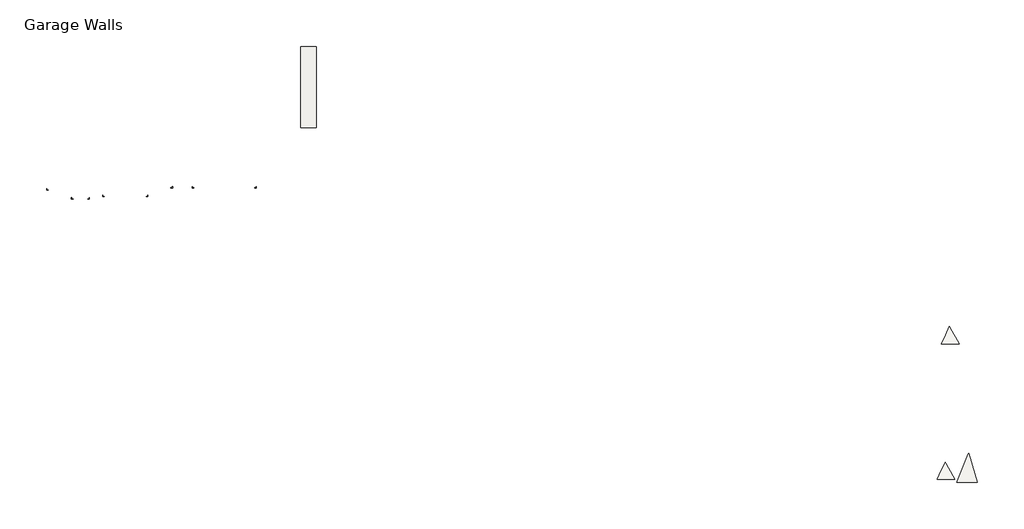
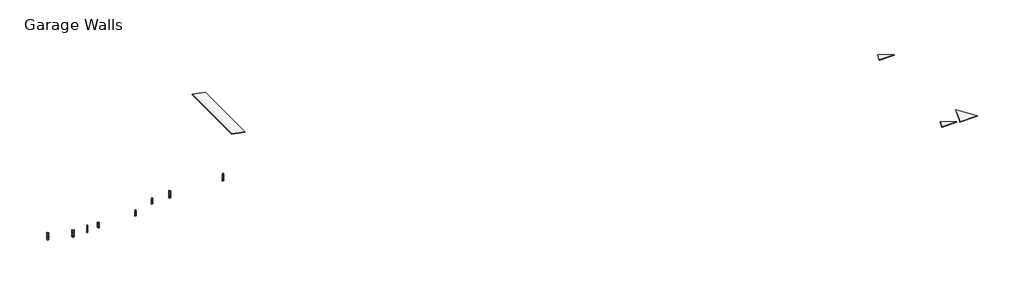
# One storey: 8 proxies, 4 roofs.
"""IFC4 building model written with IfcOpenShell, lengths in millimetres."""

import ifcopenshell
import ifcopenshell.guid

model = None  # the IFC model being written
_history = None  # IfcOwnerHistory: only IFC2X3 demands one
_inside = {}  # id of a spatial element -> (the spatial element, [elements in it])
_under = {}  # id of a project, library or spatial element -> (it, [spatial elements below it])
_declared = {}  # id of a project -> (the project, [libraries it declares])
_typed = {}  # id of a type object -> (the type object, [elements of that type])
_made_of = {}  # id of a material, layer set ... -> (it, [elements and type objects made of it])


def new_model(schema):
    """Start an empty IFC model of exactly this schema.

    Asked for "IFC4X3", IfcOpenShell would pick the latest addendum, in which some entities
    have other attributes; the version numbers below select the first issue.
    IFC2X3 requires an IfcOwnerHistory on every rooted entity: one is made here for all.
    """
    global model, _history
    if schema == "IFC4X3":
        model = ifcopenshell.file(schema_version=(4, 3, 0, 0))
    else:
        model = ifcopenshell.file(schema=schema)
    _inside.clear()
    _under.clear()
    _declared.clear()
    _typed.clear()
    _made_of.clear()
    _history = None
    if model.schema == "IFC2X3":
        org = make("IfcOrganization", Name="unknown")
        user = make(
            "IfcPersonAndOrganization",
            ThePerson=make("IfcPerson", FamilyName="unknown"),
            TheOrganization=org,
        )
        app = make(
            "IfcApplication",
            ApplicationDeveloper=org,
            Version="unknown",
            ApplicationFullName="unknown",
            ApplicationIdentifier="unknown",
        )
        _history = make(
            "IfcOwnerHistory",
            OwningUser=user,
            OwningApplication=app,
            ChangeAction="ADDED",
            CreationDate=0,
        )
    return model


def make(cls, **values):
    """One entity of the class cls with the attributes given. An attribute that is None is left unset."""
    return model.create_entity(
        cls, **{name: value for name, value in values.items() if value is not None}
    )


def rooted(cls, **values):
    """An entity with a GlobalId (a new one), such as an element, a storey or a relation."""
    return make(cls, GlobalId=ifcopenshell.guid.new(), OwnerHistory=_history, **values)


def si_unit(unit_type, name, prefix=None):
    """IfcSIUnit, for example si_unit("LENGTHUNIT", "METRE", prefix="MILLI")."""
    return make("IfcSIUnit", UnitType=unit_type, Prefix=prefix, Name=name)


def assignment(units):
    """IfcUnitAssignment: the units of a project."""
    return None if units is None else make("IfcUnitAssignment", Units=units)


def point(xyz):
    """IfcCartesianPoint."""
    return None if xyz is None else make("IfcCartesianPoint", Coordinates=xyz)


def direction(xyz):
    """IfcDirection."""
    return None if xyz is None else make("IfcDirection", DirectionRatios=xyz)


def frame(location, z_axis=None, x_axis=None):
    """IfcAxis2Placement3D, a coordinate frame: its origin and axes. An axis left out is left unset."""
    return make(
        "IfcAxis2Placement3D",
        Location=point(location),
        Axis=direction(z_axis),
        RefDirection=direction(x_axis),
    )


def origin():
    """The frame at (0, 0, 0) with its axes left unset."""
    return frame((0.0, 0.0, 0.0))


def place(relative_to, where):
    """IfcLocalPlacement: puts the frame where relative to a parent placement (None: the world)."""
    return make(
        "IfcLocalPlacement", PlacementRelTo=relative_to, RelativePlacement=where
    )


def context(
    kind, dimensions, precision=None, world=None, true_north=None, identifier=None
):
    """IfcGeometricRepresentationContext, for example the 3D "Model" context."""
    return make(
        "IfcGeometricRepresentationContext",
        ContextIdentifier=identifier,
        ContextType=kind,
        CoordinateSpaceDimension=dimensions,
        Precision=precision,
        WorldCoordinateSystem=world,
        TrueNorth=true_north,
    )


def project(units=None, contexts=None):
    """IfcProject with its units and contexts."""
    return rooted(
        "IfcProject",
        Name="project",
        RepresentationContexts=contexts,
        UnitsInContext=assignment(units),
    )


def spatial(cls, under=None, at=None, **own):
    """A site, building, storey or space (cls), placed at a placement, below another one or the project."""
    s = rooted(cls, ObjectPlacement=at, **own)
    if under is not None:
        _under.setdefault(under.id(), (under, []))[1].append(s)
    return s


def polyline(points):
    """IfcPolyline through the points."""
    return make("IfcPolyline", Points=[point(p) for p in points])


def outline(outer, holes=None, kind="AREA"):
    """IfcArbitraryClosedProfileDef: a profile drawn as a closed curve; with holes, ...WithVoids."""
    if holes is None:
        return make("IfcArbitraryClosedProfileDef", ProfileType=kind, OuterCurve=outer)
    return make(
        "IfcArbitraryProfileDefWithVoids",
        ProfileType=kind,
        OuterCurve=outer,
        InnerCurves=holes,
    )


def extrude(swept, where, along, depth):
    """IfcExtrudedAreaSolid: the profile swept, set in the frame where, extruded along a direction by depth."""
    return make(
        "IfcExtrudedAreaSolid",
        SweptArea=swept,
        Position=where,
        ExtrudedDirection=direction(along),
        Depth=depth,
    )


def faces_of(points, faces, orient=None, outer=None):
    """IfcFace entities. A face is a list of loops; a loop is a list of indices into points, from 0.

    orient and outer hold one flag for each loop. By default every Orientation is true, the
    first loop of a face is its IfcFaceOuterBound and the others are IfcFaceBound.
    """
    made = []
    for i, loops in enumerate(faces):
        bounds = []
        for j, loop in enumerate(loops):
            is_outer = j == 0 if outer is None else outer[i][j]
            bounds.append(
                make(
                    "IfcFaceOuterBound" if is_outer else "IfcFaceBound",
                    Bound=make("IfcPolyLoop", Polygon=[points[k] for k in loop]),
                    Orientation=True if orient is None else orient[i][j],
                )
            )
        made.append(make("IfcFace", Bounds=bounds))
    return made


def faceted_brep(points, faces, orient=None, outer=None, voids=None):
    """IfcFacetedBrep: a solid bounded by flat faces; with voids (closed shells), ...WithVoids."""
    shared = [point(p) for p in points]
    hull = make("IfcClosedShell", CfsFaces=faces_of(shared, faces, orient, outer))
    if voids is None:
        return make("IfcFacetedBrep", Outer=hull)
    return make(
        "IfcFacetedBrepWithVoids",
        Outer=hull,
        Voids=[
            make(cls, CfsFaces=faces_of(shared, fs, o, b)) for cls, fs, o, b in voids
        ],
    )


def shape(context_of_items, identifier, shape_type, items):
    """IfcShapeRepresentation: the items that make up one representation, for example the "Body"."""
    return make(
        "IfcShapeRepresentation",
        ContextOfItems=context_of_items,
        RepresentationIdentifier=identifier,
        RepresentationType=shape_type,
        Items=items,
    )


def source(mapping_origin, context_of_items, identifier, shape_type, items):
    """IfcRepresentationMap: a shape defined once, which mapped items show again and again."""
    return make(
        "IfcRepresentationMap",
        MappingOrigin=mapping_origin,
        MappedRepresentation=shape(context_of_items, identifier, shape_type, items),
    )


def transform(
    local_origin,
    x_axis=None,
    y_axis=None,
    z_axis=None,
    scale=None,
    scale2=None,
    scale3=None,
    uniform=True,
):
    """IfcCartesianTransformationOperator3D, or its non-uniform kind. x_axis, y_axis, z_axis: its Axis1, 2, 3."""
    if uniform:
        return make(
            "IfcCartesianTransformationOperator3D",
            Axis1=direction(x_axis),
            Axis2=direction(y_axis),
            LocalOrigin=point(local_origin),
            Scale=scale,
            Axis3=direction(z_axis),
        )
    return make(
        "IfcCartesianTransformationOperator3DnonUniform",
        Axis1=direction(x_axis),
        Axis2=direction(y_axis),
        LocalOrigin=point(local_origin),
        Scale=scale,
        Axis3=direction(z_axis),
        Scale2=scale2,
        Scale3=scale3,
    )


def mapped(mapping_source, mapping_target):
    """IfcMappedItem: shows the shape of a source again, moved by a transform."""
    return make(
        "IfcMappedItem", MappingSource=mapping_source, MappingTarget=mapping_target
    )


def made_of(thing, what):
    """Note that an element or type object is made of a material, layer set ...; save() writes the relation."""
    if what is not None:
        _made_of.setdefault(what.id(), (what, []))[1].append(thing)
    return thing


def element(
    cls,
    number,
    at=None,
    inside=None,
    cuts=None,
    type_object=None,
    material=None,
    context=None,
    identifier="Body",
    shape_type=None,
    held_by="IfcProductDefinitionShape",
    body=None,
    shapes=None,
    **own,
):
    """One element of the class cls, such as IfcWall. Its Tag is "e" and its number.

    at: its placement. inside: the storey or other place that contains it. cuts: it is an
    opening in that element (IfcRelVoidsElement). A single representation is given by context,
    identifier, shape_type and body (its items); several are given by shapes. held_by: the class
    of the entity that holds the representations. save() writes the other relations.
    """
    e = rooted(cls, Tag="e%d" % number, ObjectPlacement=at, **own)
    if body is not None:
        shapes = [shape(context, identifier, shape_type, body)]
    if shapes is not None:
        e.Representation = make(held_by, Representations=shapes)
    if inside is not None:
        _inside.setdefault(inside.id(), (inside, []))[1].append(e)
    if cuts is not None:
        rooted(
            "IfcRelVoidsElement", RelatingBuildingElement=cuts, RelatedOpeningElement=e
        )
    if type_object is not None:
        _typed.setdefault(type_object.id(), (type_object, []))[1].append(e)
    return made_of(e, material)


def aggregate(whole, parts):
    """IfcRelAggregates: a whole, such as a stair, and the parts it consists of."""
    return rooted("IfcRelAggregates", RelatingObject=whole, RelatedObjects=parts)


def save(model, path):
    """Write the relations noted so far, then the file.

    IfcRelAggregates (storeys below a building ...), IfcRelContainedInSpatialStructure (elements
    in a storey), IfcRelDefinesByType, IfcRelAssociatesMaterial and IfcRelDeclares: one each for
    every whole, place, type object, material and project.
    """
    for whole, parts in _under.values():
        aggregate(whole, parts)
    for where, things in _inside.values():
        rooted(
            "IfcRelContainedInSpatialStructure",
            RelatedElements=things,
            RelatingStructure=where,
        )
    for kind, things in _typed.values():
        rooted("IfcRelDefinesByType", RelatedObjects=things, RelatingType=kind)
    for what, things in _made_of.values():
        rooted("IfcRelAssociatesMaterial", RelatedObjects=things, RelatingMaterial=what)
    for by, libraries in _declared.values():
        rooted("IfcRelDeclares", RelatingContext=by, RelatedDefinitions=libraries)
    model.write(path)


def generic_models_86c4ab9a(model_context):
    return source(origin(), model_context, "Body", "Brep", [
        faceted_brep([(-1835.15, 317.5, 2032.0), (-1847.85, 317.5, 2032.0), (-1847.85, 317.5, 2438.4), (-1828.8, 317.5, 2438.4), (-1828.8, 317.5, 1828.8), (-1835.15, 317.5, 1828.8), (-1835.15, -95.25, 1828.8), (-1835.15, -95.25, 2032.0), (-1828.8, -88.9, 1828.8), (-1422.4, -88.9, 1828.8), (-1422.4, -95.25, 1828.8), (-1828.8, -88.9, 2438.4), (-1847.85, -107.95, 2438.4), (-1422.4, -107.95, 2438.4), (-1422.4, -88.9, 2438.4), (-1847.85, -107.95, 2032.0), (-1422.4, -95.25, 2032.0), (-1422.4, -107.95, 2032.0)], [[[0, 1, 2, 3, 4, 5]], [[5, 6, 7, 0]], [[4, 8, 9, 10, 6, 5]], [[3, 11, 8, 4]], [[2, 12, 13, 14, 11, 3]], [[1, 15, 12, 2]], [[0, 7, 16, 17, 15, 1]], [[16, 10, 9, 14, 13, 17]], [[6, 10, 16, 7]], [[11, 14, 9, 8]], [[15, 17, 13, 12]]]),
        faceted_brep([(-1835.15, 317.5, 1422.4), (-1847.85, 317.5, 1422.4), (-1847.85, 317.5, 1828.8), (-1828.8, 317.5, 1828.8), (-1828.8, 317.5, 1219.2), (-1835.15, 317.5, 1219.2), (-1835.15, -95.25, 1219.2), (-1835.15, -95.25, 1422.4), (-1828.8, -88.9, 1219.2), (-1422.4, -88.9, 1219.2), (-1422.4, -95.25, 1219.2), (-1828.8, -88.9, 1828.8), (-1847.85, -107.95, 1828.8), (-1422.4, -107.95, 1828.8), (-1422.4, -88.9, 1828.8), (-1847.85, -107.95, 1422.4), (-1422.4, -95.25, 1422.4), (-1422.4, -107.95, 1422.4)], [[[0, 1, 2, 3, 4, 5]], [[5, 6, 7, 0]], [[4, 8, 9, 10, 6, 5]], [[3, 11, 8, 4]], [[2, 12, 13, 14, 11, 3]], [[1, 15, 12, 2]], [[0, 7, 16, 17, 15, 1]], [[16, 10, 9, 14, 13, 17]], [[6, 10, 16, 7]], [[11, 14, 9, 8]], [[15, 17, 13, 12]]]),
        faceted_brep([(-1835.15, 317.5, 812.8), (-1847.85, 317.5, 812.8), (-1847.85, 317.5, 1219.2), (-1828.8, 317.5, 1219.2), (-1828.8, 317.5, 609.6), (-1835.15, 317.5, 609.6), (-1835.15, -95.25, 609.6), (-1835.15, -95.25, 812.8), (-1828.8, -88.9, 609.6), (-1422.4, -88.9, 609.6), (-1422.4, -95.25, 609.6), (-1828.8, -88.9, 1219.2), (-1847.85, -107.95, 1219.2), (-1422.4, -107.95, 1219.2), (-1422.4, -88.9, 1219.2), (-1847.85, -107.95, 812.8), (-1422.4, -95.25, 812.8), (-1422.4, -107.95, 812.8)], [[[0, 1, 2, 3, 4, 5]], [[5, 6, 7, 0]], [[4, 8, 9, 10, 6, 5]], [[3, 11, 8, 4]], [[2, 12, 13, 14, 11, 3]], [[1, 15, 12, 2]], [[0, 7, 16, 17, 15, 1]], [[16, 10, 9, 14, 13, 17]], [[6, 10, 16, 7]], [[11, 14, 9, 8]], [[15, 17, 13, 12]]]),
        faceted_brep([(-1835.15, 317.5, 203.2), (-1847.85, 317.5, 203.2), (-1847.85, 317.5, 609.6), (-1828.8, 317.5, 609.6), (-1828.8, 317.5, 0.0), (-1835.15, 317.5, 0.0), (-1835.15, -95.25, 0.0), (-1835.15, -95.25, 203.2), (-1828.8, -88.9, 0.0), (-1422.4, -88.9, 0.0), (-1422.4, -95.25, 0.0), (-1828.8, -88.9, 609.6), (-1847.85, -107.95, 609.6), (-1422.4, -107.95, 609.6), (-1422.4, -88.9, 609.6), (-1847.85, -107.95, 203.2), (-1422.4, -95.25, 203.2), (-1422.4, -107.95, 203.2)], [[[0, 1, 2, 3, 4, 5]], [[5, 6, 7, 0]], [[4, 8, 9, 10, 6, 5]], [[3, 11, 8, 4]], [[2, 12, 13, 14, 11, 3]], [[1, 15, 12, 2]], [[0, 7, 16, 17, 15, 1]], [[16, 10, 9, 14, 13, 17]], [[6, 10, 16, 7]], [[11, 14, 9, 8]], [[15, 17, 13, 12]]]),
    ])


def generic_models_9b5f698f(model_context):
    return source(origin(), model_context, "Body", "Brep", [
        faceted_brep([(-1835.15, -317.5, 2032.0), (-1835.15, -317.5, 1828.8), (-1828.8, -317.5, 1828.8), (-1828.8, -317.5, 2438.4), (-1847.85, -317.5, 2438.4), (-1847.85, -317.5, 2032.0), (-1835.15, 95.25, 2032.0), (-1835.15, 95.25, 1828.8), (-1422.4, 95.25, 1828.8), (-1422.4, 88.9, 1828.8), (-1828.8, 88.9, 1828.8), (-1828.8, 88.9, 2438.4), (-1422.4, 88.9, 2438.4), (-1422.4, 107.95, 2438.4), (-1847.85, 107.95, 2438.4), (-1847.85, 107.95, 2032.0), (-1422.4, 107.95, 2032.0), (-1422.4, 95.25, 2032.0)], [[[0, 1, 2, 3, 4, 5]], [[1, 0, 6, 7]], [[2, 1, 7, 8, 9, 10]], [[3, 2, 10, 11]], [[4, 3, 11, 12, 13, 14]], [[5, 4, 14, 15]], [[0, 5, 15, 16, 17, 6]], [[17, 16, 13, 12, 9, 8]], [[7, 6, 17, 8]], [[11, 10, 9, 12]], [[15, 14, 13, 16]]]),
        faceted_brep([(-1835.15, -317.5, 1422.4), (-1835.15, -317.5, 1219.2), (-1828.8, -317.5, 1219.2), (-1828.8, -317.5, 1828.8), (-1847.85, -317.5, 1828.8), (-1847.85, -317.5, 1422.4), (-1835.15, 95.25, 1422.4), (-1835.15, 95.25, 1219.2), (-1422.4, 95.25, 1219.2), (-1422.4, 88.9, 1219.2), (-1828.8, 88.9, 1219.2), (-1828.8, 88.9, 1828.8), (-1422.4, 88.9, 1828.8), (-1422.4, 107.95, 1828.8), (-1847.85, 107.95, 1828.8), (-1847.85, 107.95, 1422.4), (-1422.4, 107.95, 1422.4), (-1422.4, 95.25, 1422.4)], [[[0, 1, 2, 3, 4, 5]], [[1, 0, 6, 7]], [[2, 1, 7, 8, 9, 10]], [[3, 2, 10, 11]], [[4, 3, 11, 12, 13, 14]], [[5, 4, 14, 15]], [[0, 5, 15, 16, 17, 6]], [[17, 16, 13, 12, 9, 8]], [[7, 6, 17, 8]], [[11, 10, 9, 12]], [[15, 14, 13, 16]]]),
        faceted_brep([(-1835.15, -317.5, 812.8), (-1835.15, -317.5, 609.6), (-1828.8, -317.5, 609.6), (-1828.8, -317.5, 1219.2), (-1847.85, -317.5, 1219.2), (-1847.85, -317.5, 812.8), (-1835.15, 95.25, 812.8), (-1835.15, 95.25, 609.6), (-1422.4, 95.25, 609.6), (-1422.4, 88.9, 609.6), (-1828.8, 88.9, 609.6), (-1828.8, 88.9, 1219.2), (-1422.4, 88.9, 1219.2), (-1422.4, 107.95, 1219.2), (-1847.85, 107.95, 1219.2), (-1847.85, 107.95, 812.8), (-1422.4, 107.95, 812.8), (-1422.4, 95.25, 812.8)], [[[0, 1, 2, 3, 4, 5]], [[1, 0, 6, 7]], [[2, 1, 7, 8, 9, 10]], [[3, 2, 10, 11]], [[4, 3, 11, 12, 13, 14]], [[5, 4, 14, 15]], [[0, 5, 15, 16, 17, 6]], [[17, 16, 13, 12, 9, 8]], [[7, 6, 17, 8]], [[11, 10, 9, 12]], [[15, 14, 13, 16]]]),
        faceted_brep([(-1835.15, -317.5, 203.2), (-1835.15, -317.5, 0.0), (-1828.8, -317.5, 0.0), (-1828.8, -317.5, 609.6), (-1847.85, -317.5, 609.6), (-1847.85, -317.5, 203.2), (-1835.15, 95.25, 203.2), (-1835.15, 95.25, 0.0), (-1422.4, 95.25, 0.0), (-1422.4, 88.9, 0.0), (-1828.8, 88.9, 0.0), (-1828.8, 88.9, 609.6), (-1422.4, 88.9, 609.6), (-1422.4, 107.95, 609.6), (-1847.85, 107.95, 609.6), (-1847.85, 107.95, 203.2), (-1422.4, 107.95, 203.2), (-1422.4, 95.25, 203.2)], [[[0, 1, 2, 3, 4, 5]], [[1, 0, 6, 7]], [[2, 1, 7, 8, 9, 10]], [[3, 2, 10, 11]], [[4, 3, 11, 12, 13, 14]], [[5, 4, 14, 15]], [[0, 5, 15, 16, 17, 6]], [[17, 16, 13, 12, 9, 8]], [[7, 6, 17, 8]], [[11, 10, 9, 12]], [[15, 14, 13, 16]]]),
    ])


def generic_models_8d9c5b32(model_context):
    return source(origin(), model_context, "Body", "Brep", [
        faceted_brep([(-1835.15, 317.5, 1422.4), (-1847.85, 317.5, 1422.4), (-1847.85, 317.5, 1828.8), (-1828.8, 317.5, 1828.8), (-1828.8, 317.5, 1219.2), (-1835.15, 317.5, 1219.2), (-1835.15, -95.25, 1219.2), (-1835.15, -95.25, 1422.4), (-1828.8, -88.9, 1219.2), (-1422.4, -88.9, 1219.2), (-1422.4, -95.25, 1219.2), (-1828.8, -88.9, 1828.8), (-1847.85, -107.95, 1828.8), (-1422.4, -107.95, 1828.8), (-1422.4, -88.9, 1828.8), (-1847.85, -107.95, 1422.4), (-1422.4, -95.25, 1422.4), (-1422.4, -107.95, 1422.4)], [[[0, 1, 2, 3, 4, 5]], [[5, 6, 7, 0]], [[4, 8, 9, 10, 6, 5]], [[3, 11, 8, 4]], [[2, 12, 13, 14, 11, 3]], [[1, 15, 12, 2]], [[0, 7, 16, 17, 15, 1]], [[16, 10, 9, 14, 13, 17]], [[6, 10, 16, 7]], [[11, 14, 9, 8]], [[15, 17, 13, 12]]]),
        faceted_brep([(-1835.15, 317.5, 812.8), (-1847.85, 317.5, 812.8), (-1847.85, 317.5, 1219.2), (-1828.8, 317.5, 1219.2), (-1828.8, 317.5, 609.6), (-1835.15, 317.5, 609.6), (-1835.15, -95.25, 609.6), (-1835.15, -95.25, 812.8), (-1828.8, -88.9, 609.6), (-1422.4, -88.9, 609.6), (-1422.4, -95.25, 609.6), (-1828.8, -88.9, 1219.2), (-1847.85, -107.95, 1219.2), (-1422.4, -107.95, 1219.2), (-1422.4, -88.9, 1219.2), (-1847.85, -107.95, 812.8), (-1422.4, -95.25, 812.8), (-1422.4, -107.95, 812.8)], [[[0, 1, 2, 3, 4, 5]], [[5, 6, 7, 0]], [[4, 8, 9, 10, 6, 5]], [[3, 11, 8, 4]], [[2, 12, 13, 14, 11, 3]], [[1, 15, 12, 2]], [[0, 7, 16, 17, 15, 1]], [[16, 10, 9, 14, 13, 17]], [[6, 10, 16, 7]], [[11, 14, 9, 8]], [[15, 17, 13, 12]]]),
        faceted_brep([(-1835.15, 317.5, 203.2), (-1847.85, 317.5, 203.2), (-1847.85, 317.5, 609.6), (-1828.8, 317.5, 609.6), (-1828.8, 317.5, 0.0), (-1835.15, 317.5, 0.0), (-1835.15, -95.25, 0.0), (-1835.15, -95.25, 203.2), (-1828.8, -88.9, 0.0), (-1422.4, -88.9, 0.0), (-1422.4, -95.25, 0.0), (-1828.8, -88.9, 609.6), (-1847.85, -107.95, 609.6), (-1422.4, -107.95, 609.6), (-1422.4, -88.9, 609.6), (-1847.85, -107.95, 203.2), (-1422.4, -95.25, 203.2), (-1422.4, -107.95, 203.2)], [[[0, 1, 2, 3, 4, 5]], [[5, 6, 7, 0]], [[4, 8, 9, 10, 6, 5]], [[3, 11, 8, 4]], [[2, 12, 13, 14, 11, 3]], [[1, 15, 12, 2]], [[0, 7, 16, 17, 15, 1]], [[16, 10, 9, 14, 13, 17]], [[6, 10, 16, 7]], [[11, 14, 9, 8]], [[15, 17, 13, 12]]]),
    ])


model = new_model("IFC4")

# Units and contexts
model_context = context("Model", 3, world=origin())
ifc_project = project(units=[si_unit("LENGTHUNIT", "METRE", prefix="MILLI")], contexts=[model_context])

# Site, building, storey
site = spatial("IfcSite", under=ifc_project)
building = spatial("IfcBuilding", under=site)
storey = spatial("IfcBuildingStorey", under=building, Name="Garage Walls", Elevation=33248.6)

# Proxies
placement = place(None, origin())
generic_models_shape = generic_models_86c4ab9a(model_context)
element("IfcBuildingElementProxy", 1, Name="Generic Models", at=placement, inside=storey, context=model_context, shape_type="MappedRepresentation", body=[
    mapped(generic_models_shape, transform((-4235.8156308, -49255.4327609, 32451.675), x_axis=(1.0, 0.0, 0.0), y_axis=(0.0, 1.0, 0.0), z_axis=(0.0, 0.0, 1.0))),
])
element("IfcBuildingElementProxy", 2, Name="Generic Models", at=placement, inside=storey, context=model_context, shape_type="MappedRepresentation", body=[
    mapped(generic_models_shape, transform((-11106.5156308, -46817.0327609, 32451.675), x_axis=(1.0, 0.0, 0.0), y_axis=(0.0, 1.0, 0.0), z_axis=(0.0, 0.0, 1.0))),
])
element("IfcBuildingElementProxy", 3, Name="Generic Models", at=placement, inside=storey, context=model_context, shape_type="MappedRepresentation", body=[
    mapped(generic_models_shape, transform((44797.2968692, -44469.1202609, 32248.475), x_axis=(0.0, 1.0, 0.0), y_axis=(-1.0, 0.0, 0.0), z_axis=(0.0, 0.0, 1.0))),
])
generic_models_2_shape = generic_models_9b5f698f(model_context)
element("IfcBuildingElementProxy", 4, Name="Generic Models", at=placement, inside=storey, context=model_context, shape_type="MappedRepresentation", body=[
    mapped(generic_models_2_shape, transform((-2981.6906308, -49255.4327609, 32451.675), x_axis=(-1.0, 0.0, 0.0), y_axis=(0.0, -1.0, 0.0), z_axis=(0.0, 0.0, 1.0))),
])
element("IfcBuildingElementProxy", 5, Name="Generic Models", at=placement, inside=storey, context=model_context, shape_type="MappedRepresentation", body=[
    mapped(generic_models_2_shape, transform((27271.2968692, -44469.1202609, 32451.675), x_axis=(0.0, 1.0, 0.0), y_axis=(-1.0, 0.0, 0.0), z_axis=(0.0, 0.0, 1.0))),
])
generic_models_3_shape = generic_models_8d9c5b32(model_context)
element("IfcBuildingElementProxy", 6, Name="Generic Models", at=placement, inside=storey, context=model_context, shape_type="MappedRepresentation", body=[
    mapped(generic_models_3_shape, transform((4400.1843692, -48645.8327609, 32248.475), x_axis=(1.0, 0.0, 0.0), y_axis=(0.0, 1.0, 0.0), z_axis=(0.0, 0.0, 1.0))),
])
element("IfcBuildingElementProxy", 7, Name="Generic Models", at=placement, inside=storey, context=model_context, shape_type="MappedRepresentation", body=[
    mapped(generic_models_3_shape, transform((14834.8218692, -46890.0577609, 32197.675), x_axis=(0.0, 1.0, 0.0), y_axis=(-1.0, 0.0, 0.0), z_axis=(0.0, 0.0, 1.0))),
])
element("IfcBuildingElementProxy", 8, Name="Generic Models", at=placement, inside=storey, context=model_context, shape_type="MappedRepresentation", body=[
    mapped(generic_models_3_shape, transform((21649.9593692, -44467.5327609, 32451.675), x_axis=(0.0, 1.0, 0.0), y_axis=(-1.0, 0.0, 0.0), z_axis=(0.0, 0.0, 1.0))),
])

# Roofs
element("IfcRoof", 9, ObjectType="Wood Rafter 6\" - Asphalt Shingle", at=placement, inside=storey, context=model_context, shape_type="SweptSolid", body=[
    extrude(outline(polyline([(33403.1021683, 61339.6406655), (34113.2438349, 57078.7906655), (33958.7416667, 57078.7906655), (33248.6, 61339.6406655), (33403.1021683, 61339.6406655)])), frame((0.0, -29718.0703032, 0.0), z_axis=(0.0, 1.0, 0.0), x_axis=(0.0, 0.0, 1.0)), (0.0, 0.0, 1.0), 22402.8),
])
element("IfcRoof", 10, ObjectType="Wood Rafter 6\" - Asphalt Shingle", at=placement, inside=storey, context=model_context, shape_type="Brep", body=[
    faceted_brep([(235863.5574269, -84586.891666, 31837.7448862), (235997.4439815, -84825.241177, 31935.0399014), (236124.6083594, -85051.623635, 32027.4499282), (237994.3231604, -88380.1550928, 33386.166871), (238523.6309383, -89322.4472483, 33770.8134735), (233794.515695, -89322.4472483, 33770.8134735), (233655.3315933, -89322.4472483, 33770.8134735), (238523.6309383, -89322.4472483, 33935.4216858), (238522.2978871, -89320.074104, 33934.4529609), (236019.0923555, -84863.780367, 32115.3799315), (235895.6599329, -84644.041666, 32025.6819071), (235863.5574269, -84586.891666, 32002.3530985), (234811.3039451, -86843.4565399, 32923.4899318), (233655.3315933, -89322.4472483, 33935.4216858), (233655.3315933, -89322.4472483, 33886.8002249)], [[[0, 1, 2, 3, 4, 5, 6]], [[7, 8, 9, 10, 11, 12, 13]], [[4, 7, 13, 14, 6, 5]], [[11, 10, 9, 8, 7, 4, 3, 2, 1, 0]], [[13, 12, 11, 0, 6, 14]]]),
])
element("IfcRoof", 11, ObjectType="Wood Rafter 6\" - Asphalt Shingle", at=placement, inside=storey, context=model_context, shape_type="Brep", body=[
    faceted_brep([(234691.6252658, -121956.6861651, 31837.7448862), (234825.5118204, -122195.0356761, 31935.0399014), (234952.6761983, -122421.4181341, 32027.4499282), (236822.3909993, -125749.949592, 33386.166871), (237351.6987772, -126692.2417474, 33770.8134735), (232622.5835339, -126692.2417474, 33770.8134735), (232483.3994322, -126692.2417474, 33770.8134735), (237351.6987772, -126692.2417474, 33935.4216858), (237350.365726, -126689.8686032, 33934.4529609), (234847.1601944, -122233.5748662, 32115.3799315), (234723.7277718, -122013.8361651, 32025.6819071), (234691.6252658, -121956.6861651, 32002.3530985), (233639.371784, -124213.251039, 32923.4899318), (232483.3994322, -126692.2417474, 33935.4216858), (232483.3994322, -126692.2417474, 33886.8002249)], [[[0, 1, 2, 3, 4, 5, 6]], [[7, 8, 9, 10, 11, 12, 13]], [[4, 7, 13, 14, 6, 5]], [[11, 10, 9, 8, 7, 4, 3, 2, 1, 0]], [[13, 12, 11, 0, 6, 14]]]),
])
element("IfcRoof", 12, ObjectType="Wood Rafter 6\" - Asphalt Shingle", at=placement, inside=storey, context=model_context, shape_type="Brep", body=[
    faceted_brep([(237887.1871601, -127490.7692477, 34149.50625), (237980.6876951, -127263.6551032, 34092.7277139), (238198.5958802, -126734.3529872, 33960.4021849), (241005.5008081, -119916.3405433, 32255.8990739), (241143.208806, -119581.8458357, 32172.275397), (241187.6752658, -119473.8361651, 32145.2729794), (243597.8584236, -127490.7692477, 34149.50625), (241187.6752658, -119473.8361651, 32302.3633037), (241114.5468651, -119651.4661024, 32346.770788), (238004.5785141, -127205.6239602, 34235.3102525), (237887.1871601, -127490.7692477, 34306.5965743), (243597.8584236, -127490.7692477, 34306.5965743), (243597.8584236, -127490.7692477, 34225.2109648), (237887.1871601, -127490.7692477, 34225.2109648), (241187.6752658, -119473.8361651, 32209.3307802)], [[[0, 1, 2, 3, 4, 5, 6]], [[7, 8, 9, 10, 11]], [[6, 12, 11, 10, 13, 0]], [[10, 9, 8, 7, 14, 5, 4, 3, 2, 1, 0, 13]], [[7, 11, 12, 6, 5, 14]]]),
])

save(model, "model.ifc")
